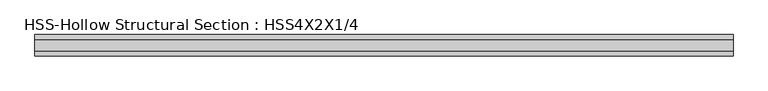
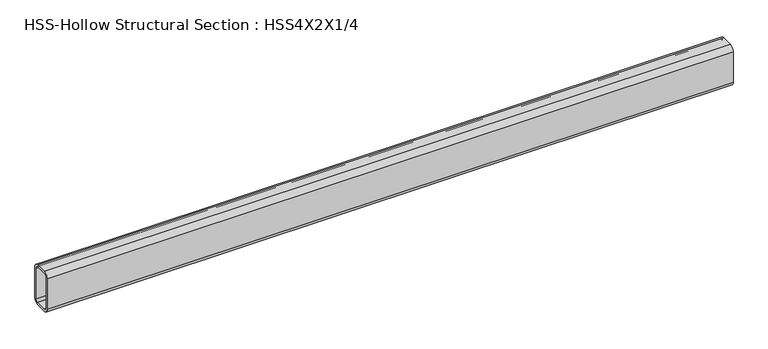
"""IFC4 building model written with IfcOpenShell, lengths in millimetres: beam geometry, HSS-Hollow Structural Section : HSS4X2X1/4."""

from ifc_helpers import new_model, si_unit, point, frame, frame_2d, origin, place, context, project, spatial, polyline, circle_curve, trimmed, segment, composite_curve, outline, extrude, source, transform, mapped, element, save


def hss_hollow_structural_section_hss4x2x1_4_419e53fd(model_context):
    return source(origin(), model_context, "Body", "SweptSolid", [
        extrude(outline(composite_curve([segment(polyline([(25.4, 38.9636), (25.4, -38.9636)]), True, "CONTINUOUS"), segment(trimmed(circle_curve(frame_2d((13.5636, -38.9636)), 11.8364), [point((25.4, -38.9636))], [point((13.5636, -50.8))], False, "CARTESIAN"), True, "CONTINUOUS"), segment(polyline([(13.5636, -50.8), (-13.5636, -50.8)]), True, "CONTINUOUS"), segment(trimmed(circle_curve(frame_2d((-13.5636, -38.9636)), 11.8364), [point((-13.5636, -50.8))], [point((-25.4, -38.9636))], False, "CARTESIAN"), True, "CONTINUOUS"), segment(polyline([(-25.4, -38.9636), (-25.4, 38.9636)]), True, "CONTINUOUS"), segment(trimmed(circle_curve(frame_2d((-13.5636, 38.9636)), 11.8364), [point((-25.4, 38.9636))], [point((-13.5636, 50.8))], False, "CARTESIAN"), True, "CONTINUOUS"), segment(polyline([(-13.5636, 50.8), (13.5636, 50.8)]), True, "CONTINUOUS"), segment(trimmed(circle_curve(frame_2d((13.5636, 38.9636)), 11.8364), [point((13.5636, 50.8))], [point((25.4, 38.9636))], False, "CARTESIAN"), True, "CONTINUOUS")], self_intersect=False), holes=[composite_curve([segment(trimmed(circle_curve(frame_2d((-13.5636, 38.9636)), 5.9182), [point((-13.5636, 44.8818))], [point((-19.4818, 38.9636))], True, "CARTESIAN"), True, "CONTINUOUS"), segment(polyline([(-19.4818, 38.9636), (-19.4818, -38.9636)]), True, "CONTINUOUS"), segment(trimmed(circle_curve(frame_2d((-13.5636, -38.9636)), 5.9182), [point((-19.4818, -38.9636))], [point((-13.5636, -44.8818))], True, "CARTESIAN"), True, "CONTINUOUS"), segment(polyline([(-13.5636, -44.8818), (13.5636, -44.8818)]), True, "CONTINUOUS"), segment(trimmed(circle_curve(frame_2d((13.5636, -38.9636)), 5.9182), [point((13.5636, -44.8818))], [point((19.4818, -38.9636))], True, "CARTESIAN"), True, "CONTINUOUS"), segment(polyline([(19.4818, -38.9636), (19.4818, 38.9636)]), True, "CONTINUOUS"), segment(trimmed(circle_curve(frame_2d((13.5636, 38.9636)), 5.9182), [point((19.4818, 38.9636))], [point((13.5636, 44.8818))], True, "CARTESIAN"), True, "CONTINUOUS"), segment(polyline([(13.5636, 44.8818), (-13.5636, 44.8818)]), True, "CONTINUOUS")], self_intersect=False)]), frame((-826.643, 0.0, 0.0), z_axis=(1.0, 0.0, 0.0), x_axis=(0.0, 1.0, 0.0)), (0.0, 0.0, 1.0), 1653.286),
    ])


if __name__ == "__main__":
    model = new_model("IFC4")
    model_context = context("Model", 3, world=origin())
    ifc_project = project(units=[si_unit("LENGTHUNIT", "METRE", prefix="MILLI")], contexts=[model_context])
    site = spatial("IfcSite", under=ifc_project)
    building = spatial("IfcBuilding", under=site)
    placement = place(None, origin())
    hss_hollow_structural_section_hss4x2x1_4_shape = hss_hollow_structural_section_hss4x2x1_4_419e53fd(model_context)
    element("IfcBeam", 1, ObjectType="HSS-Hollow Structural Section : HSS4X2X1/4", at=placement, inside=building, context=model_context, shape_type="MappedRepresentation", body=[
        mapped(hss_hollow_structural_section_hss4x2x1_4_shape, transform((0.0, 0.0, 0.0), x_axis=(1.0, 0.0, 0.0), y_axis=(0.0, 1.0, 0.0), z_axis=(0.0, 0.0, 1.0))),
    ])
    save(model, "model.ifc")
